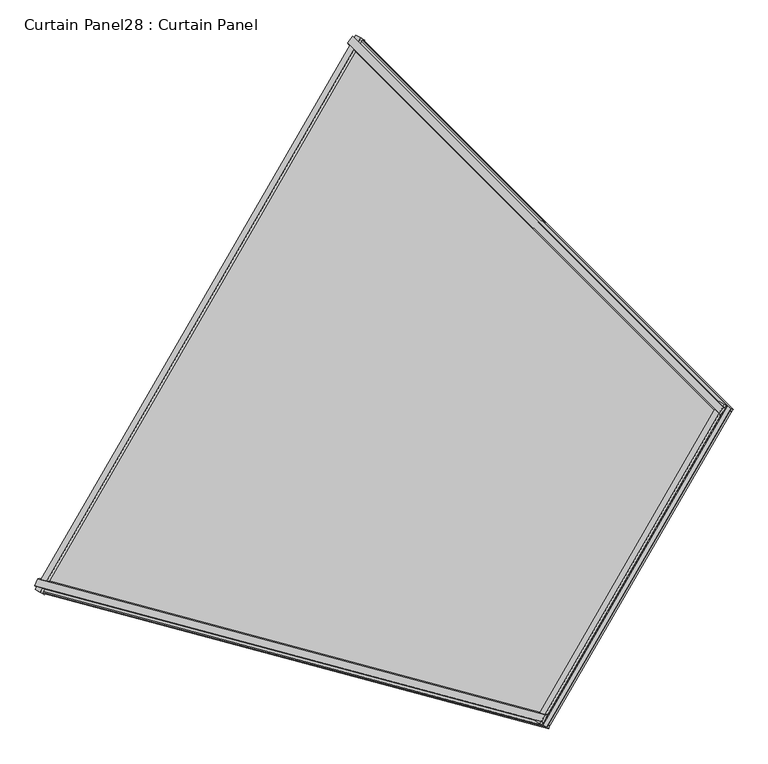
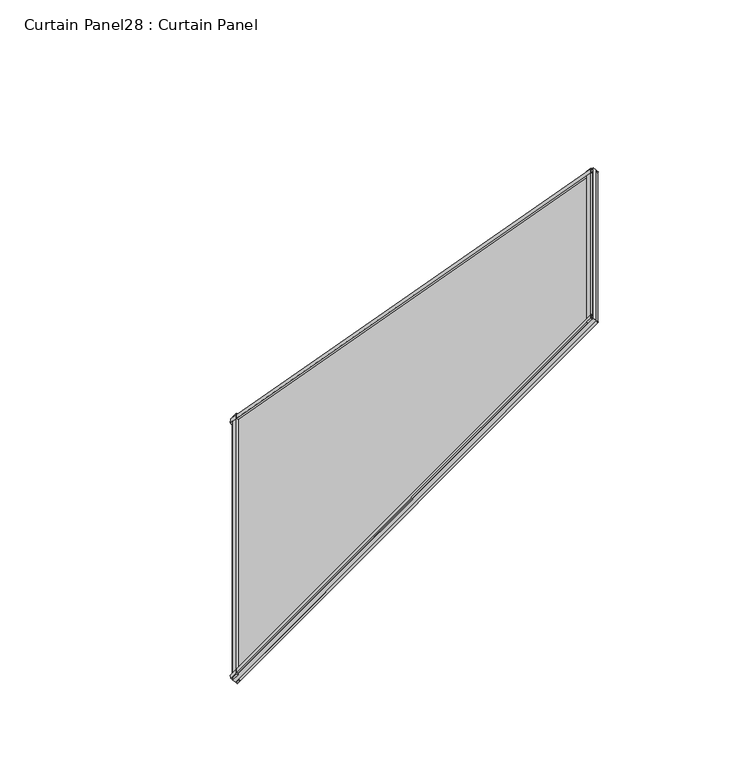
"""IFC4 building model written with IfcOpenShell, lengths in millimetres: plate geometry, Curtain Panel28 : Curtain Panel."""

from ifc_helpers import new_model, si_unit, frame, origin, place, context, project, spatial, polyline, outline, extrude, source, transform, mapped, element, save


def curtain_panel28_curtain_panel_9c1d6eb3(model_context):
    return source(origin(), model_context, "Body", "SweptSolid", [
        extrude(outline(polyline([(22.3831197, -5.9476601), (22.4361731, -22.5325479), (17.5121094, -25.3444409), (17.5121094, -5.9632421), (22.3831197, -5.9476601)])), frame((-14738.6146011, -13009.8394844, 2447.9025634), z_axis=(0.6830127018922194, -0.18301270189221786, 0.7071067811865479), x_axis=(-0.6228927525104978, 0.35962729833819895, 0.6947465906068657)), (0.0, 0.0, 1.0), 1550.2595362),
        extrude(outline(polyline([(-2.3405704, 0.0), (4.7128906, -1e-07), (4.7128907, -11.3518128), (-0.0198591, -12.2485208), (-2.3405704, 0.0)])), frame((-14738.6146011, -13009.8394844, 2447.9025634), z_axis=(0.6830127018922194, -0.18301270189221786, 0.7071067811865479), x_axis=(-0.6228927525104978, 0.35962729833819895, 0.6947465906068657)), (0.0, 0.0, 1.0), 1550.2595362),
        extrude(outline(polyline([(22.3831196, 5.9476601), (17.5121093, 5.9632421), (17.5121093, 25.3444409), (22.4361731, 22.5325479), (22.3831196, 5.9476601)])), frame((-14070.0680382, -11851.8828701, 2447.9025634), z_axis=(0.5000000000000012, -0.499999999999999, 0.7071067811865474), x_axis=(-0.6228927525104978, 0.35962729833819895, 0.6947465906068657)), (0.0, 0.0, 1.0), 1550.2595362),
        extrude(outline(polyline([(-2.3405704, 0.0), (-0.0198592, 12.2485207), (4.7128906, 11.3518128), (4.7128905, 0.0), (-2.3405704, 0.0)])), frame((-14070.0680382, -11851.8828701, 2447.9025634), z_axis=(0.5000000000000012, -0.499999999999999, 0.7071067811865474), x_axis=(-0.6228927525104978, 0.35962729833819895, 0.6947465906068657)), (0.0, 0.0, 1.0), 1550.2595362),
        extrude(outline(polyline([(4.7128906, 0.0), (-2.884415, 2.033638), (-0.0072961, 12.7820367), (4.7128906, 13.7689417), (4.7128906, 0.0)])), frame((-14738.3754754, -13009.8470544, 2448.1208762), z_axis=(0.4999999999999954, 0.8660254037844414, 0.0), x_axis=(-0.6228927525104978, 0.3596272983381989, 0.6947465906068657)), (0.0, 0.0, 1.0), 1336.8671118),
        extrude(outline(polyline([(22.4691869, 21.8874309), (22.473391, 5.2216894), (17.5121094, 3.9575953), (17.5121093, 24.3595662), (22.4691869, 21.8874309)])), frame((-14738.3754754, -13009.8470544, 2448.1208762), z_axis=(0.4999999999999954, 0.8660254037844414, 0.0), x_axis=(-0.6228927525104978, 0.3596272983381989, 0.6947465906068657)), (0.0, 0.0, 1.0), 1336.8671118),
        extrude(outline(polyline([(4.7128906, 0.0), (4.7128906, -13.7689417), (-0.0072962, -12.7820366), (-2.8844151, -2.033638), (4.7128906, 0.0)])), frame((-13679.5285209, -13293.5642408, 3544.3199069), z_axis=(0.4999999999999979, 0.8660254037844398, 0.0), x_axis=(-0.6228927525104978, 0.3596272983381989, 0.6947465906068658)), (0.0, 0.0, 1.0), 769.4327391),
        extrude(outline(polyline([(22.4691869, -21.8874309), (17.5121094, -24.3595661), (17.5121094, -3.9575953), (22.473391, -5.2216894), (22.4691869, -21.8874309)])), frame((-13679.5285209, -13293.5642408, 3544.3199069), z_axis=(0.4999999999999979, 0.8660254037844398, 0.0), x_axis=(-0.6228927525104978, 0.3596272983381989, 0.6947465906068658)), (0.0, 0.0, 1.0), 769.4327391),
        extrude(outline(polyline([(-15.9758987, 0.0), (-260.6602426, -1314.3992583), (-1707.0720812, -756.5485407), (-1566.2354349, 0.0), (-15.9758987, 0.0)])), frame((-14752.2510943, -13005.2773114, 2440.0984746), z_axis=(-0.6228927525104978, 0.3596272983381989, 0.6947465906068657), x_axis=(-0.68301270189222, 0.18301270189221652, -0.7071067811865477)), (0.0, 0.0, 1.0), 12.7992187),
    ])


if __name__ == "__main__":
    model = new_model("IFC4")
    model_context = context("Model", 3, world=origin())
    ifc_project = project(units=[si_unit("LENGTHUNIT", "METRE", prefix="MILLI")], contexts=[model_context])
    site = spatial("IfcSite", under=ifc_project)
    building = spatial("IfcBuilding", under=site)
    placement = place(None, origin())
    curtain_panel28_curtain_panel_shape = curtain_panel28_curtain_panel_9c1d6eb3(model_context)
    element("IfcPlate", 1, ObjectType="Curtain Panel28 : Curtain Panel", at=placement, inside=building, context=model_context, shape_type="MappedRepresentation", body=[
        mapped(curtain_panel28_curtain_panel_shape, transform((0.0, 0.0, 0.0), x_axis=(1.0, 0.0, 0.0), y_axis=(0.0, 1.0, 0.0), z_axis=(0.0, 0.0, 1.0))),
    ])
    save(model, "model.ifc")
